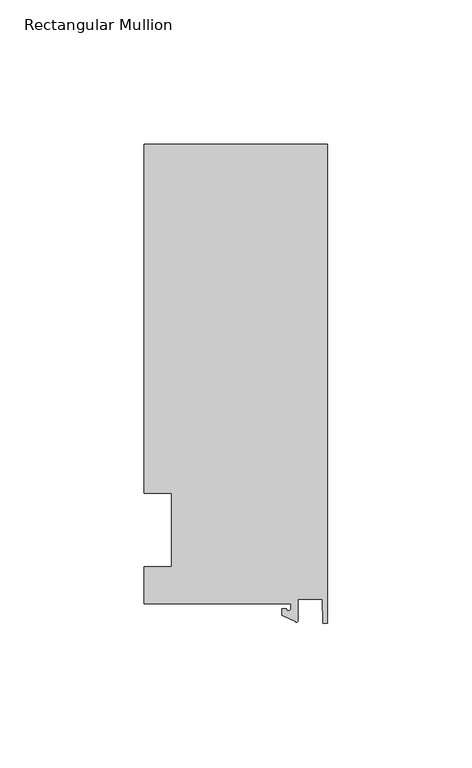
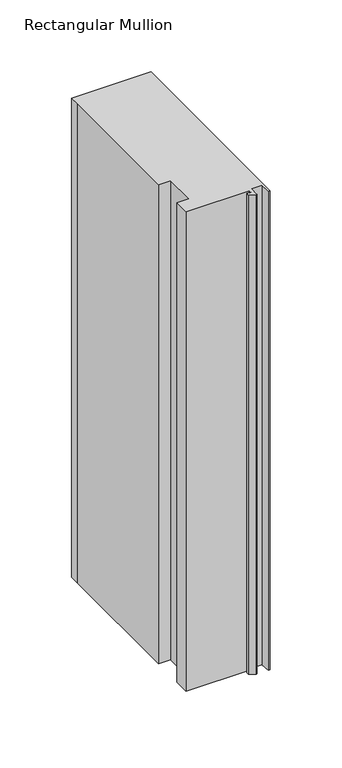
"""IFC4 building model written with IfcOpenShell, lengths in millimetres: member geometry, Rectangular Mullion."""

from ifc_helpers import new_model, si_unit, point, frame, frame_2d, origin, place, context, project, spatial, polyline, circle_curve, trimmed, segment, composite_curve, outline, extrude, source, transform, mapped, element, save


def rectangular_mullion_c22a25a5(model_context):
    return source(origin(), model_context, "Body", "SweptSolid", [
        extrude(outline(composite_curve([segment(polyline([(-12.6979967, -25.4849312), (-63.5, -25.4849312), (-63.5, -12.7), (-53.975, -12.7), (-53.975, 12.7), (-63.5, 12.7), (-63.5, 125.6958688), (-63.5, 133.4428688), (0.0, 133.4428688), (0.0, -32.288874), (-1.5658966, -32.288874), (-1.7144124, -23.9227662), (-10.3103967, -23.9227662), (-10.3103967, -31.3654561)]), True, "CONTINUOUS"), segment(trimmed(circle_curve(frame_2d((-10.8183967, -31.3654561)), 0.508), [point((-10.3103967, -31.3654561))], [point((-11.0330867, -31.8258605))], False, "CARTESIAN"), True, "CONTINUOUS"), segment(polyline([(-11.0330867, -31.8258605), (-15.8729967, -29.5689734), (-15.8729967, -27.2067741), (-14.2854967, -27.2067741)]), True, "CONTINUOUS"), segment(trimmed(circle_curve(frame_2d((-13.4917467, -27.2067741)), 0.79375), [point((-14.2854967, -27.2067741))], [point((-12.6979967, -27.2067741))], True, "CARTESIAN"), True, "CONTINUOUS"), segment(polyline([(-12.6979967, -27.2067741), (-12.6979967, -25.4849312)]), True, "CONTINUOUS")], self_intersect=False)), frame((0.0, 0.0, -406.4), z_axis=(0.0, 0.0, 1.0), x_axis=(1.0, 0.0, 0.0)), (0.0, 0.0, 1.0), 406.4),
    ])


if __name__ == "__main__":
    model = new_model("IFC4")
    model_context = context("Model", 3, world=origin())
    ifc_project = project(units=[si_unit("LENGTHUNIT", "METRE", prefix="MILLI")], contexts=[model_context])
    site = spatial("IfcSite", under=ifc_project)
    building = spatial("IfcBuilding", under=site)
    placement = place(None, origin())
    rectangular_mullion_shape = rectangular_mullion_c22a25a5(model_context)
    element("IfcMember", 1, ObjectType="Rectangular Mullion", at=placement, inside=building, context=model_context, shape_type="MappedRepresentation", body=[
        mapped(rectangular_mullion_shape, transform((0.0, 0.0, 0.0), x_axis=(1.0, 0.0, 0.0), y_axis=(0.0, 1.0, 0.0), z_axis=(0.0, 0.0, 1.0))),
    ])
    save(model, "model.ifc")
